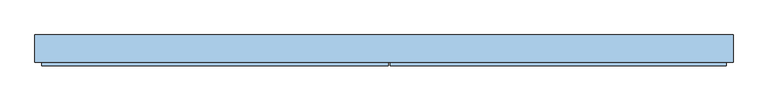
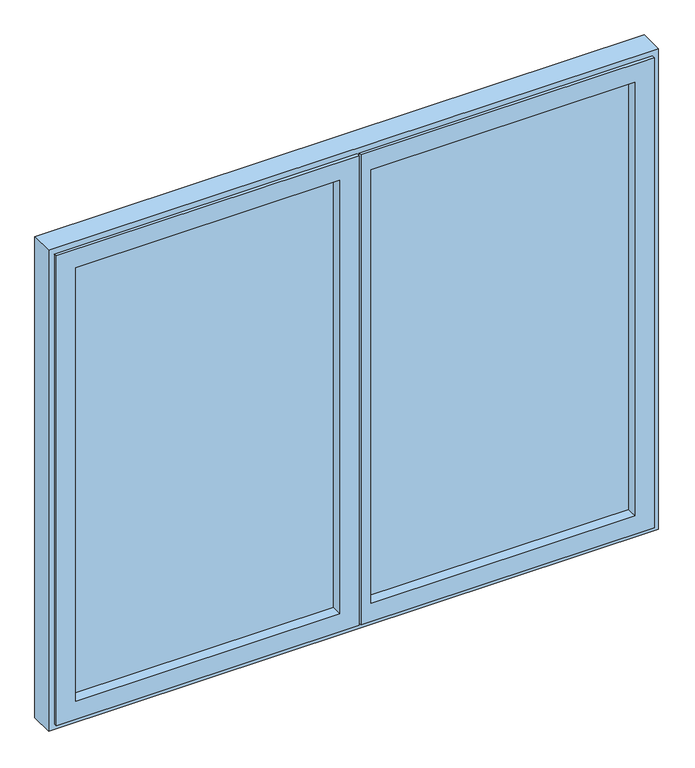
"""IFC4 building model written with IfcOpenShell, lengths in millimetres: window geometry."""

from ifc_helpers import new_model, si_unit, frame, origin, place, context, project, spatial, polyline, outline, extrude, faceted_brep, source, transform, mapped, element, save


def window_35518ebb(model_context):
    return source(origin(), model_context, "Body", "SolidModel", [
        faceted_brep([(16.6, -44.5, 2383.0), (16.6, -35.0, 2383.0), (16.6, -35.0, 2355.5), (16.6, 30.0, 2355.5), (16.6, 30.0, 2331.0), (16.6, -35.0, 2331.0), (16.6, -35.0, 969.0), (16.6, 30.0, 969.0), (16.6, 30.0, 944.5), (16.6, -35.0, 944.5), (16.6, -35.0, 917.0), (16.6, -44.5, 917.0), (2.6, -35.0, 2331.0), (2.6, -35.0, 969.0), (41.61, 35.0, 969.0), (41.61, 30.0, 969.0), (2.6, 30.0, 969.0), (-41.19, 30.0, 969.0), (-41.19, 35.0, 969.0), (855.5, 30.0, 2355.5), (855.5, 30.0, 944.5), (41.61, 30.0, 2331.0), (826.0, 30.0, 2326.0), (46.4, 30.0, 2326.0), (46.4, 30.0, 974.0), (826.0, 30.0, 974.0), (855.5, -35.0, 944.5), (883.0, -35.0, 2383.0), (883.0, -35.0, 917.0), (855.5, -35.0, 2355.5), (883.0, -44.5, 917.0), (883.0, -44.5, 2383.0), (826.0, -44.5, 2326.0), (826.0, -44.5, 974.0), (46.4, -44.5, 974.0), (46.4, -44.5, 2326.0), (41.61, 35.0, 2331.0), (2.6, 30.0, 2331.0), (-41.19, 30.0, 2331.0), (-41.19, 35.0, 2331.0)], [[[0, 1, 2, 3, 4, 5, 6, 7, 8, 9, 10, 11]], [[6, 5, 12, 13]], [[14, 15, 7, 6, 13, 16, 17, 18]], [[3, 19, 20, 8, 7, 15, 21, 4], [22, 23, 24, 25]], [[9, 8, 20, 26]], [[2, 1, 27, 28, 10, 9, 26, 29]], [[11, 10, 28, 30]], [[0, 11, 30, 31], [32, 33, 34, 35]], [[33, 32, 22, 25]], [[33, 25, 24, 34]], [[35, 34, 24, 23]], [[31, 30, 28, 27]], [[29, 26, 20, 19]], [[36, 21, 15, 14]], [[12, 37, 16, 13]], [[37, 38, 17, 16]], [[38, 39, 18, 17]], [[39, 36, 14, 18]], [[1, 0, 31, 27]], [[3, 2, 29, 19]], [[36, 39, 38, 37, 12, 5, 4, 21]], [[22, 32, 35, 23]]]),
        extrude(outline(polyline([(826.0, -13.0), (46.4, -13.0), (46.4, 21.0), (826.0, 21.0), (826.0, -13.0)])), frame((0.0, 0.0, 974.0), z_axis=(0.0, 0.0, 1.0), x_axis=(1.0, 0.0, 0.0)), (0.0, 0.0, 1.0), 1352.0),
        extrude(outline(polyline([(-46.4, -13.0), (-826.0, -13.0), (-826.0, 21.0), (-46.4, 21.0), (-46.4, -13.0)])), frame((0.0, 0.0, 974.0), z_axis=(0.0, 0.0, 1.0), x_axis=(1.0, 0.0, 0.0)), (0.0, 0.0, 1.0), 1352.0),
        faceted_brep([(-826.0, 30.0, 974.0), (-826.0, -44.5, 974.0), (-46.4, -44.5, 974.0), (-46.4, 30.0, 974.0), (-46.4, -44.5, 2326.0), (-46.4, 30.0, 2326.0), (10.6, -44.5, 2383.0), (-883.0, -44.5, 2383.0), (-883.0, -44.5, 917.0), (10.6, -44.5, 917.0), (-826.0, -44.5, 2326.0), (-16.9, 30.0, 944.5), (-855.5, 30.0, 944.5), (-855.5, 30.0, 2355.5), (-16.9, 30.0, 2355.5), (-826.0, 30.0, 2326.0), (-855.5, -35.0, 944.5), (-16.9, -35.0, 944.5), (-16.9, -35.0, 2355.5), (10.6, -35.0, 917.0), (-883.0, -35.0, 917.0), (-883.0, -35.0, 2383.0), (10.6, -35.0, 2383.0), (-855.5, -35.0, 2355.5)], [[[0, 1, 2, 3]], [[3, 2, 4, 5]], [[6, 7, 8, 9], [2, 1, 10, 4]], [[11, 12, 13, 14], [5, 15, 0, 3]], [[16, 12, 11, 17]], [[17, 11, 14, 18]], [[19, 20, 21, 22], [18, 23, 16, 17]], [[8, 20, 19, 9]], [[9, 19, 22, 6]], [[15, 10, 1, 0]], [[23, 13, 12, 16]], [[7, 21, 20, 8]], [[5, 4, 10, 15]], [[18, 14, 13, 23]], [[6, 22, 21, 7]]]),
        faceted_brep([(-875.0, 30.0, 925.0), (-875.0, -35.0, 925.0), (875.0, -35.0, 925.0), (875.0, 30.0, 925.0), (875.0, -35.0, 2375.0), (875.0, 30.0, 2375.0), (900.0, -35.0, 2400.0), (-900.0, -35.0, 2400.0), (-900.0, -35.0, 900.0), (900.0, -35.0, 900.0), (-875.0, -35.0, 2375.0), (-875.0, 30.0, 2375.0), (831.0, 30.0, 969.0), (-831.0, 30.0, 969.0), (-831.0, 30.0, 2331.0), (831.0, 30.0, 2331.0), (-831.0, 35.0, 969.0), (831.0, 35.0, 969.0), (831.0, 35.0, 2331.0), (900.0, 35.0, 900.0), (-900.0, 35.0, 900.0), (-900.0, 35.0, 2400.0), (900.0, 35.0, 2400.0), (-831.0, 35.0, 2331.0)], [[[0, 1, 2, 3]], [[3, 2, 4, 5]], [[6, 7, 8, 9], [2, 1, 10, 4]], [[5, 11, 0, 3], [12, 13, 14, 15]], [[16, 13, 12, 17]], [[17, 12, 15, 18]], [[19, 20, 21, 22], [18, 23, 16, 17]], [[19, 22, 6, 9]], [[8, 20, 19, 9]], [[11, 10, 1, 0]], [[23, 14, 13, 16]], [[7, 21, 20, 8]], [[5, 4, 10, 11]], [[18, 15, 14, 23]], [[6, 22, 21, 7]]]),
    ])


if __name__ == "__main__":
    model = new_model("IFC4")
    model_context = context("Model", 3, world=origin())
    ifc_project = project(units=[si_unit("LENGTHUNIT", "METRE", prefix="MILLI")], contexts=[model_context])
    site = spatial("IfcSite", under=ifc_project)
    building = spatial("IfcBuilding", under=site)
    placement = place(None, origin())
    window_shape = window_35518ebb(model_context)
    element("IfcWindow", 1, at=placement, inside=building, context=model_context, shape_type="MappedRepresentation", body=[
        mapped(window_shape, transform((0.0, 0.0, 0.0), x_axis=(1.0, 0.0, 0.0), y_axis=(0.0, 1.0, 0.0), z_axis=(0.0, 0.0, 1.0))),
    ])
    save(model, "model.ifc")
